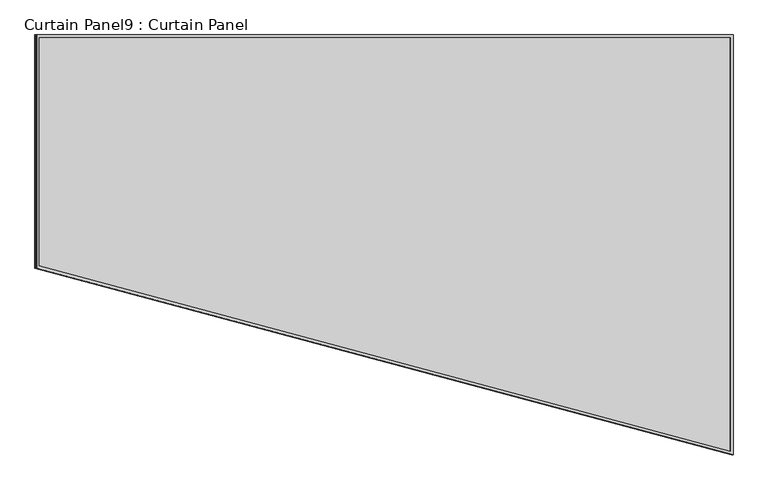
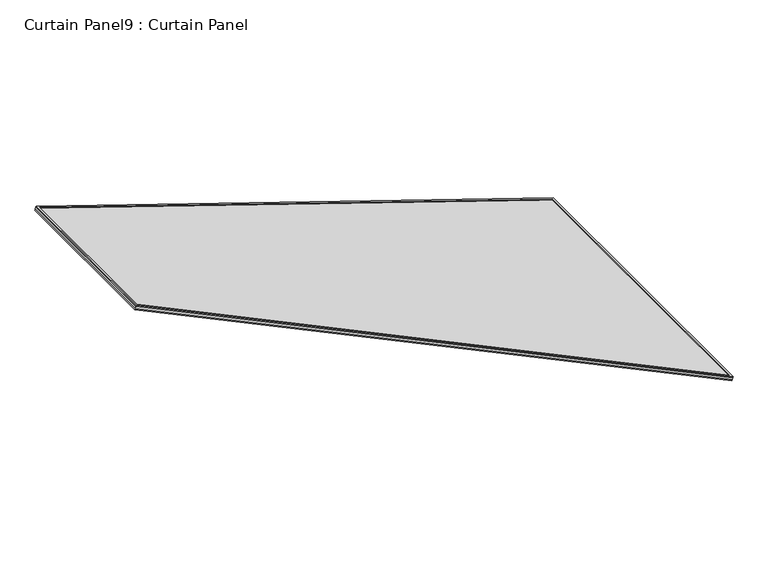
"""IFC4 building model written with IfcOpenShell, lengths in millimetres: plate geometry, Curtain Panel9 : Curtain Panel."""

import ifcopenshell
import ifcopenshell.guid

model = None  # the IFC model being written
_history = None  # IfcOwnerHistory: only IFC2X3 demands one
_inside = {}  # id of a spatial element -> (the spatial element, [elements in it])
_under = {}  # id of a project, library or spatial element -> (it, [spatial elements below it])
_declared = {}  # id of a project -> (the project, [libraries it declares])
_typed = {}  # id of a type object -> (the type object, [elements of that type])
_made_of = {}  # id of a material, layer set ... -> (it, [elements and type objects made of it])


def new_model(schema):
    """Start an empty IFC model of exactly this schema.

    Asked for "IFC4X3", IfcOpenShell would pick the latest addendum, in which some entities
    have other attributes; the version numbers below select the first issue.
    IFC2X3 requires an IfcOwnerHistory on every rooted entity: one is made here for all.
    """
    global model, _history
    if schema == "IFC4X3":
        model = ifcopenshell.file(schema_version=(4, 3, 0, 0))
    else:
        model = ifcopenshell.file(schema=schema)
    _inside.clear()
    _under.clear()
    _declared.clear()
    _typed.clear()
    _made_of.clear()
    _history = None
    if model.schema == "IFC2X3":
        org = make("IfcOrganization", Name="unknown")
        user = make(
            "IfcPersonAndOrganization",
            ThePerson=make("IfcPerson", FamilyName="unknown"),
            TheOrganization=org,
        )
        app = make(
            "IfcApplication",
            ApplicationDeveloper=org,
            Version="unknown",
            ApplicationFullName="unknown",
            ApplicationIdentifier="unknown",
        )
        _history = make(
            "IfcOwnerHistory",
            OwningUser=user,
            OwningApplication=app,
            ChangeAction="ADDED",
            CreationDate=0,
        )
    return model


def make(cls, **values):
    """One entity of the class cls with the attributes given. An attribute that is None is left unset."""
    return model.create_entity(
        cls, **{name: value for name, value in values.items() if value is not None}
    )


def rooted(cls, **values):
    """An entity with a GlobalId (a new one), such as an element, a storey or a relation."""
    return make(cls, GlobalId=ifcopenshell.guid.new(), OwnerHistory=_history, **values)


def si_unit(unit_type, name, prefix=None):
    """IfcSIUnit, for example si_unit("LENGTHUNIT", "METRE", prefix="MILLI")."""
    return make("IfcSIUnit", UnitType=unit_type, Prefix=prefix, Name=name)


def assignment(units):
    """IfcUnitAssignment: the units of a project."""
    return None if units is None else make("IfcUnitAssignment", Units=units)


def point(xyz):
    """IfcCartesianPoint."""
    return None if xyz is None else make("IfcCartesianPoint", Coordinates=xyz)


def direction(xyz):
    """IfcDirection."""
    return None if xyz is None else make("IfcDirection", DirectionRatios=xyz)


def frame(location, z_axis=None, x_axis=None):
    """IfcAxis2Placement3D, a coordinate frame: its origin and axes. An axis left out is left unset."""
    return make(
        "IfcAxis2Placement3D",
        Location=point(location),
        Axis=direction(z_axis),
        RefDirection=direction(x_axis),
    )


def origin():
    """The frame at (0, 0, 0) with its axes left unset."""
    return frame((0.0, 0.0, 0.0))


def place(relative_to, where):
    """IfcLocalPlacement: puts the frame where relative to a parent placement (None: the world)."""
    return make(
        "IfcLocalPlacement", PlacementRelTo=relative_to, RelativePlacement=where
    )


def context(
    kind, dimensions, precision=None, world=None, true_north=None, identifier=None
):
    """IfcGeometricRepresentationContext, for example the 3D "Model" context."""
    return make(
        "IfcGeometricRepresentationContext",
        ContextIdentifier=identifier,
        ContextType=kind,
        CoordinateSpaceDimension=dimensions,
        Precision=precision,
        WorldCoordinateSystem=world,
        TrueNorth=true_north,
    )


def project(units=None, contexts=None):
    """IfcProject with its units and contexts."""
    return rooted(
        "IfcProject",
        Name="project",
        RepresentationContexts=contexts,
        UnitsInContext=assignment(units),
    )


def spatial(cls, under=None, at=None, **own):
    """A site, building, storey or space (cls), placed at a placement, below another one or the project."""
    s = rooted(cls, ObjectPlacement=at, **own)
    if under is not None:
        _under.setdefault(under.id(), (under, []))[1].append(s)
    return s


def polyline(points):
    """IfcPolyline through the points."""
    return make("IfcPolyline", Points=[point(p) for p in points])


def outline(outer, holes=None, kind="AREA"):
    """IfcArbitraryClosedProfileDef: a profile drawn as a closed curve; with holes, ...WithVoids."""
    if holes is None:
        return make("IfcArbitraryClosedProfileDef", ProfileType=kind, OuterCurve=outer)
    return make(
        "IfcArbitraryProfileDefWithVoids",
        ProfileType=kind,
        OuterCurve=outer,
        InnerCurves=holes,
    )


def extrude(swept, where, along, depth):
    """IfcExtrudedAreaSolid: the profile swept, set in the frame where, extruded along a direction by depth."""
    return make(
        "IfcExtrudedAreaSolid",
        SweptArea=swept,
        Position=where,
        ExtrudedDirection=direction(along),
        Depth=depth,
    )


def shape(context_of_items, identifier, shape_type, items):
    """IfcShapeRepresentation: the items that make up one representation, for example the "Body"."""
    return make(
        "IfcShapeRepresentation",
        ContextOfItems=context_of_items,
        RepresentationIdentifier=identifier,
        RepresentationType=shape_type,
        Items=items,
    )


def source(mapping_origin, context_of_items, identifier, shape_type, items):
    """IfcRepresentationMap: a shape defined once, which mapped items show again and again."""
    return make(
        "IfcRepresentationMap",
        MappingOrigin=mapping_origin,
        MappedRepresentation=shape(context_of_items, identifier, shape_type, items),
    )


def transform(
    local_origin,
    x_axis=None,
    y_axis=None,
    z_axis=None,
    scale=None,
    scale2=None,
    scale3=None,
    uniform=True,
):
    """IfcCartesianTransformationOperator3D, or its non-uniform kind. x_axis, y_axis, z_axis: its Axis1, 2, 3."""
    if uniform:
        return make(
            "IfcCartesianTransformationOperator3D",
            Axis1=direction(x_axis),
            Axis2=direction(y_axis),
            LocalOrigin=point(local_origin),
            Scale=scale,
            Axis3=direction(z_axis),
        )
    return make(
        "IfcCartesianTransformationOperator3DnonUniform",
        Axis1=direction(x_axis),
        Axis2=direction(y_axis),
        LocalOrigin=point(local_origin),
        Scale=scale,
        Axis3=direction(z_axis),
        Scale2=scale2,
        Scale3=scale3,
    )


def mapped(mapping_source, mapping_target):
    """IfcMappedItem: shows the shape of a source again, moved by a transform."""
    return make(
        "IfcMappedItem", MappingSource=mapping_source, MappingTarget=mapping_target
    )


def made_of(thing, what):
    """Note that an element or type object is made of a material, layer set ...; save() writes the relation."""
    if what is not None:
        _made_of.setdefault(what.id(), (what, []))[1].append(thing)
    return thing


def element(
    cls,
    number,
    at=None,
    inside=None,
    cuts=None,
    type_object=None,
    material=None,
    context=None,
    identifier="Body",
    shape_type=None,
    held_by="IfcProductDefinitionShape",
    body=None,
    shapes=None,
    **own,
):
    """One element of the class cls, such as IfcWall. Its Tag is "e" and its number.

    at: its placement. inside: the storey or other place that contains it. cuts: it is an
    opening in that element (IfcRelVoidsElement). A single representation is given by context,
    identifier, shape_type and body (its items); several are given by shapes. held_by: the class
    of the entity that holds the representations. save() writes the other relations.
    """
    e = rooted(cls, Tag="e%d" % number, ObjectPlacement=at, **own)
    if body is not None:
        shapes = [shape(context, identifier, shape_type, body)]
    if shapes is not None:
        e.Representation = make(held_by, Representations=shapes)
    if inside is not None:
        _inside.setdefault(inside.id(), (inside, []))[1].append(e)
    if cuts is not None:
        rooted(
            "IfcRelVoidsElement", RelatingBuildingElement=cuts, RelatedOpeningElement=e
        )
    if type_object is not None:
        _typed.setdefault(type_object.id(), (type_object, []))[1].append(e)
    return made_of(e, material)


def aggregate(whole, parts):
    """IfcRelAggregates: a whole, such as a stair, and the parts it consists of."""
    return rooted("IfcRelAggregates", RelatingObject=whole, RelatedObjects=parts)


def save(model, path):
    """Write the relations noted so far, then the file.

    IfcRelAggregates (storeys below a building ...), IfcRelContainedInSpatialStructure (elements
    in a storey), IfcRelDefinesByType, IfcRelAssociatesMaterial and IfcRelDeclares: one each for
    every whole, place, type object, material and project.
    """
    for whole, parts in _under.values():
        aggregate(whole, parts)
    for where, things in _inside.values():
        rooted(
            "IfcRelContainedInSpatialStructure",
            RelatedElements=things,
            RelatingStructure=where,
        )
    for kind, things in _typed.values():
        rooted("IfcRelDefinesByType", RelatedObjects=things, RelatingType=kind)
    for what, things in _made_of.values():
        rooted("IfcRelAssociatesMaterial", RelatedObjects=things, RelatingMaterial=what)
    for by, libraries in _declared.values():
        rooted("IfcRelDeclares", RelatingContext=by, RelatedDefinitions=libraries)
    model.write(path)


def curtain_panel9_curtain_panel_55a17757(model_context):
    return source(origin(), model_context, "Body", "SweptSolid", [
        extrude(outline(polyline([(1611.6318022, -11.1125), (-14.2907959, -11.1125), (708.2335699, 2831.1637639), (1611.6318022, 2831.1637639), (1611.6318022, -11.1125)]), holes=[polyline([(1600.5193022, 2820.051264), (716.8746321, 2820.051264), (0.0, 0.0), (1600.5193022, 0.0), (1600.5193022, 2820.051264)])]), frame((21655.6875186, -1148.067382, -5.6071406), z_axis=(0.3161458239737731, 0.0, 0.9487106081329248), x_axis=(0.0, 1.0, 0.0)), (0.0, 0.0, 1.0), 4.8079887),
        extrude(outline(polyline([(1611.6318022, -11.1125), (-14.2907959, -11.1125), (708.2335699, 2831.1637639), (1611.6318022, 2831.1637639), (1611.6318022, -11.1125)]), holes=[polyline([(1600.5193022, 2820.051264), (716.8746321, 2820.051264), (0.0, 0.0), (1600.5193022, 0.0), (1600.5193022, 2820.051264)])]), frame((21650.1041226, -1148.067382, -22.3621524), z_axis=(0.3161458239738, 0.0, 0.9487106081329159), x_axis=(0.0, 1.0, 0.0)), (0.0, 0.0, 1.0), 4.7703307),
        extrude(outline(polyline([(-596.6683727, 0.0), (1029.2542254, 0.0), (306.7298596, -2842.276264), (-596.6683727, -2842.276264), (-596.6683727, 0.0)])), frame((21662.1547894, -133.1039525, -21.3496595), z_axis=(0.3161458239738058, 0.0, 0.948710608132914), x_axis=(0.0, -1.0, 0.0)), (0.0, 0.0, 1.0), 12.890494),
    ])


if __name__ == "__main__":
    model = new_model("IFC4")
    model_context = context("Model", 3, world=origin())
    ifc_project = project(units=[si_unit("LENGTHUNIT", "METRE", prefix="MILLI")], contexts=[model_context])
    site = spatial("IfcSite", under=ifc_project)
    building = spatial("IfcBuilding", under=site)
    placement = place(None, origin())
    curtain_panel9_curtain_panel_shape = curtain_panel9_curtain_panel_55a17757(model_context)
    element("IfcPlate", 1, ObjectType="Curtain Panel9 : Curtain Panel", at=placement, inside=building, context=model_context, shape_type="MappedRepresentation", body=[
        mapped(curtain_panel9_curtain_panel_shape, transform((0.0, 0.0, 0.0), x_axis=(1.0, 0.0, 0.0), y_axis=(0.0, 1.0, 0.0), z_axis=(0.0, 0.0, 1.0))),
    ])
    save(model, "model.ifc")
